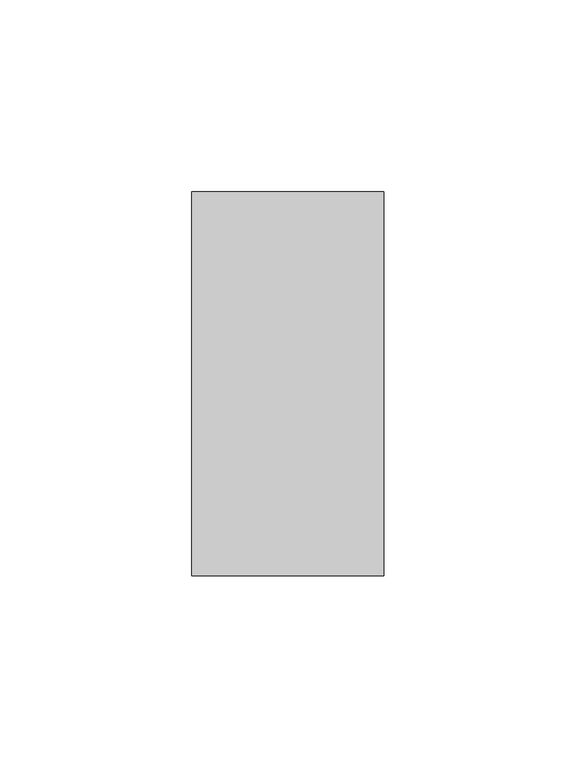
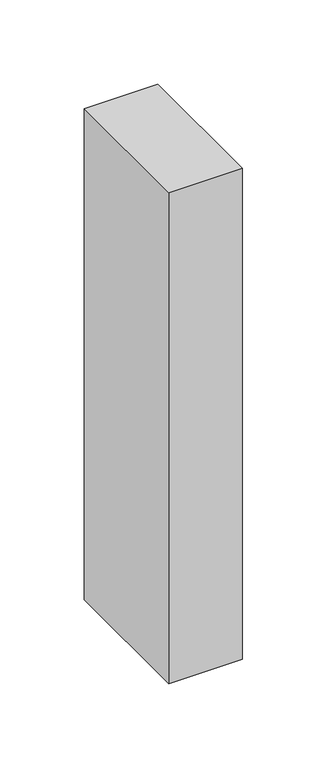
"""IFC4 building model written with IfcOpenShell, lengths in millimetres: member geometry."""

from ifc_helpers import new_model, si_unit, frame, origin, place, context, project, spatial, polyline, outline, extrude, source, transform, mapped, element, save


def member_450ad37d(model_context):
    return source(origin(), model_context, "Body", "SweptSolid", [
        extrude(outline(polyline([(25.0, 50.0), (25.0, -50.0), (-25.0, -50.0), (-25.0, 50.0), (25.0, 50.0)])), frame((0.0, 0.0, -354.7826087), z_axis=(0.0, 0.0, 1.0), x_axis=(1.0, 0.0, 0.0)), (0.0, 0.0, 1.0), 354.7826087),
    ])


if __name__ == "__main__":
    model = new_model("IFC4")
    model_context = context("Model", 3, world=origin())
    ifc_project = project(units=[si_unit("LENGTHUNIT", "METRE", prefix="MILLI")], contexts=[model_context])
    site = spatial("IfcSite", under=ifc_project)
    building = spatial("IfcBuilding", under=site)
    placement = place(None, origin())
    member_shape = member_450ad37d(model_context)
    element("IfcMember", 1, at=placement, inside=building, context=model_context, shape_type="MappedRepresentation", body=[
        mapped(member_shape, transform((0.0, 0.0, 0.0), x_axis=(1.0, 0.0, 0.0), y_axis=(0.0, 1.0, 0.0), z_axis=(0.0, 0.0, 1.0))),
    ])
    save(model, "model.ifc")
